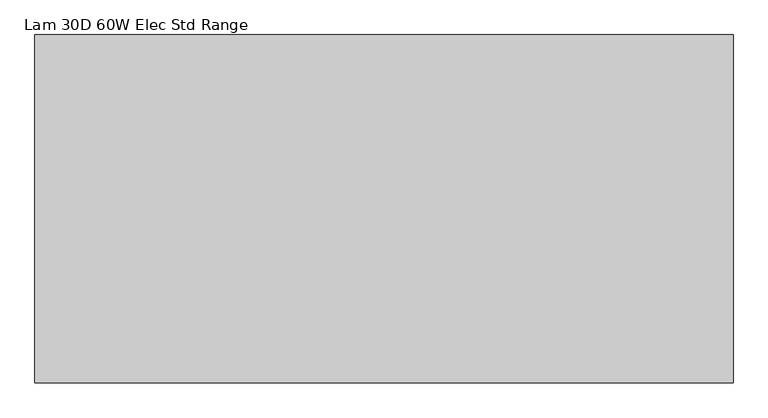
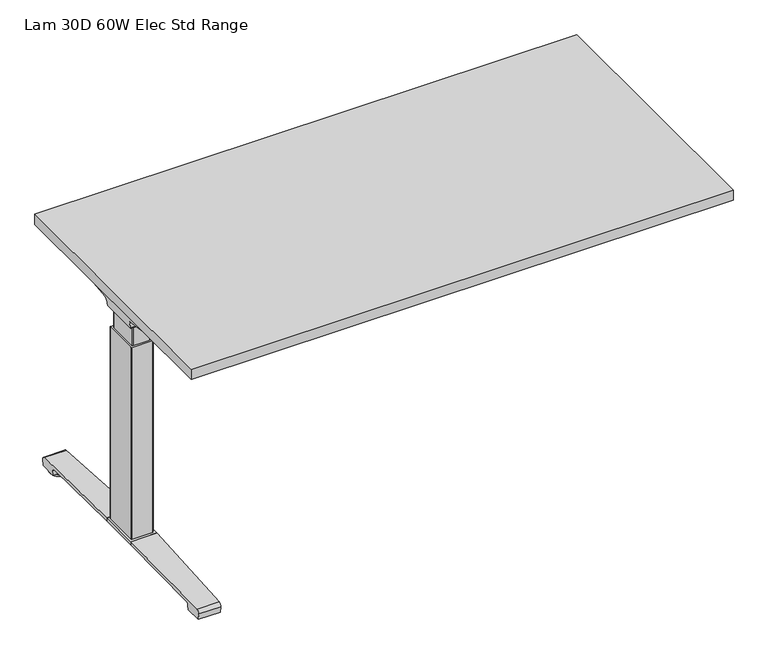
"""IFC4 building model written with IfcOpenShell, lengths in millimetres: furniture geometry, Lam 30D 60W Elec Std Range."""

from ifc_helpers import new_model, si_unit, point, frame, frame_2d, origin, place, context, project, spatial, polyline, circle_curve, ellipse_curve, trimmed, segment, composite_curve, outline, extrude, source, transform, mapped, element, save
from ifc_brep_helpers import plane_surface, cylinder_surface, revolved_surface, advanced_brep


def lam_30d_60w_elec_std_range_d3fcf947(model_context):
    return source(origin(), model_context, "Body", "SolidModel", [
        extrude(outline(polyline([(735.076, 366.776), (735.076, -366.776), (-735.076, -366.776), (-735.076, 366.776), (735.076, 366.776)])), frame((0.0, 0.0, 707.009), z_axis=(0.0, 0.0, 1.0), x_axis=(1.0, 0.0, 0.0)), (0.0, 0.0, 1.0), 29.591),
        advanced_brep(
        [(-718.7406297, 53.5092702, 658.5915733), (-553.0122138, 53.5092702, 658.5915733), (-567.3924181, 51.2808169, 655.9442785), (-716.2518591, 51.2808169, 655.9442785), (-718.9625278, 53.518256, 658.8276054), (-721.3619089, 54.1622827, 675.7443054), (-538.5773962, 54.1622827, 675.7443054), (-538.5773962, 53.8142965, 666.6037253), (-541.4075093, 53.7331058, 664.4710821), (-541.5501644, 53.6554397, 662.4310191), (-722.2185362, 59.6293181, 681.7839076), (-538.5773962, 59.6293181, 681.7839076), (-724.7393767, 174.2005225, 699.5569507), (-660.5243442, 174.2005225, 699.5569507), (-538.5773962, 93.3958, 687.0219877), (-724.8128152, 177.9765275, 700.0747243), (-666.2229255, 177.9765275, 700.0747243), (-725.4871296, 179.4867839, 704.8289399), (-723.7021288, 176.9098888, 707.009), (-664.6132011, 176.9098888, 707.009), (-725.4871296, -179.4867839, 704.8289399), (-724.8128152, -177.9765275, 700.0747243), (-666.2229255, -177.9765275, 700.0747243), (-664.6132011, -176.9098888, 707.009), (-723.7021288, -176.9098888, 707.009), (-724.7393767, -174.2005225, 699.5569507), (-660.5243442, -174.2005225, 699.5569507), (-722.2185362, -59.6293181, 681.7839076), (-538.5773962, -59.6293181, 681.7839076), (-538.5773962, -93.3958, 687.0219877), (-721.3619089, -54.1622827, 675.7443054), (-538.5773962, -54.1622827, 675.7443054), (-718.9625278, -53.518256, 658.8276054), (-718.7406297, -53.5092702, 658.5915733), (-553.0122138, -53.5092702, 658.5915733), (-541.5501644, -53.6554397, 662.4310191), (-541.4075093, -53.7331058, 664.4710821), (-538.5773962, -53.8142965, 666.6037253), (-716.2518591, -51.2808169, 655.9442785), (-567.3924181, -51.2808169, 655.9442785), (-538.5773962, -93.3958, 707.009), (-538.5773962, 93.3958, 707.009)],
        [
            (0, 1),
            (1, 2, ellipse_curve(frame((-577.2936465, 130.5470009, 750.1086722), z_axis=(0.0, 0.7650318638532662, -0.6439924279750482), x_axis=(0.0, 0.6439924279750482, 0.7650318638532662)), 123.7641411, 94.6835116)),
            (2, 3),
            (3, 0),
            (0, 4),
            (4, 5),
            (5, 6),
            (6, 7),
            (7, 8),
            (8, 9),
            (9, 1, ellipse_curve(frame((-577.2936465, 56.9933686, 750.1086722), z_axis=(0.0, 0.999276106683639, -0.03804290487316255), x_axis=(0.0, 0.03804290487316397, 0.999276106683639)), 94.752102, 94.6835116)),
            (5, 10, ellipse_curve(frame((-721.3119691, 60.6208409, 675.3922075), z_axis=(-0.990090671484964, 0.0, -0.14042956326377007), x_axis=(-0.1404295632637696, 0.0, 0.990090671484964)), 6.5328852, 6.4681487)),
            (10, 11),
            (11, 6, circle_curve(frame((-538.5773962, 60.6208409, 675.3922075), z_axis=(1.0, 0.0, 0.0), x_axis=(0.0, 1.0, 0.0)), 6.4681487)),
            (10, 12),
            (12, 13),
            (13, 14),
            (14, 11),
            (12, 15),
            (15, 16),
            (16, 13),
            (15, 17, ellipse_curve(frame((-725.2730772, 175.9994111, 703.3197755), z_axis=(0.990090671484964, 0.0, 0.14042956326377007), x_axis=(0.1404295632637696, 0.0, -0.990090671484964)), 3.8379455, 3.7999141)),
            (17, 18, ellipse_curve(frame((-726.722811, 175.9994111, 703.3197755), z_axis=(0.7737284588433301, 0.0, -0.6335173809580328), x_axis=(0.6335173809580328, 0.0, 0.77372845884333)), 4.9111727, 3.7999141)),
            (18, 19),
            (19, 16, ellipse_curve(frame((-663.239148, 175.9994111, 703.3197755), z_axis=(-0.5523637579768189, -0.8336031902972338, 0.0), x_axis=(0.8336031902972338, -0.5523637579768189, 0.0)), 6.8793689, 3.7999141)),
            (20, 21, ellipse_curve(frame((-725.2730772, -175.9994111, 703.3197755), z_axis=(0.990090671484964, 0.0, 0.14042956326377007), x_axis=(0.1404295632637696, 0.0, -0.990090671484964)), 3.8379455, 3.7999141)),
            (21, 22),
            (22, 23, ellipse_curve(frame((-663.239148, -175.9994111, 703.3197755), z_axis=(-0.5523637579750432, 0.8336031902984106, 0.0), x_axis=(0.8336031902984103, 0.5523637579750432, 0.0)), 6.8793689, 3.7999141)),
            (23, 24),
            (24, 20, ellipse_curve(frame((-726.722811, -175.9994111, 703.3197755), z_axis=(0.7737284588433301, 0.0, -0.6335173809580328), x_axis=(0.6335173809580328, 0.0, 0.77372845884333)), 4.9111727, 3.7999141)),
            (21, 25),
            (25, 26),
            (26, 22),
            (27, 28),
            (28, 29),
            (29, 26),
            (25, 27),
            (27, 30, ellipse_curve(frame((-721.3119691, -60.6208409, 675.3922075), z_axis=(-0.990090671484964, 0.0, -0.14042956326377007), x_axis=(-0.1404295632637696, 0.0, 0.990090671484964)), 6.5328852, 6.4681487)),
            (30, 31),
            (31, 28, circle_curve(frame((-538.5773962, -60.6208409, 675.3922075), z_axis=(1.0, 0.0, 0.0), x_axis=(0.0, 1.0, 0.0)), 6.4681487)),
            (30, 32),
            (32, 33),
            (33, 34),
            (34, 35, ellipse_curve(frame((-577.2936465, -56.9933686, 750.1086722), z_axis=(0.0, -0.9992761066836363, -0.03804290487323539), x_axis=(0.0, 0.03804290487323121, -0.9992761066836364)), 94.752102, 94.6835116)),
            (35, 36),
            (36, 37),
            (37, 31),
            (33, 38),
            (38, 39),
            (39, 34, ellipse_curve(frame((-577.2936465, -130.5470009, 750.1086722), z_axis=(0.0, -0.7650318638534733, -0.643992427974802), x_axis=(0.0, 0.643992427974802, -0.7650318638534732)), 123.7641411, 94.6835116)),
            (4, 32),
            (20, 17),
            (24, 18),
            (23, 40),
            (40, 41),
            (41, 19),
            (37, 7),
            (14, 41),
            (40, 29),
            (36, 8),
            (35, 9),
            (39, 2),
            (38, 3),
        ],
        [
            plane_surface(frame((-741.7773962, 51.2808169, 655.9442785), z_axis=(0.0, 0.7650318638532662, -0.6439924279750482), x_axis=(1.0, 0.0, 0.0))),
            plane_surface(frame((-741.7773962, 53.5092702, 658.5915733), z_axis=(0.0, 0.999276106683639, -0.03804290487316255), x_axis=(1.0, 0.0, 0.0))),
            revolved_surface(polyline([(-722.2293793154884, 67.08898959999999, 675.3922075), (-538.5773962, 67.08898959999999, 675.3922075)]), (-741.7773962, 60.6208409, 675.3922075), (-1.0, 0.0, 0.0)),
            plane_surface(frame((-741.7773962, 59.6293181, 681.7839076), z_axis=(0.0, 0.153293135871396, -0.9881807600306302), x_axis=(1.0, 0.0, 0.0))),
            plane_surface(frame((-741.7773962, 174.2005225, 699.5569507), z_axis=(0.0, 0.13585085469026903, -0.9907292996979162), x_axis=(1.0, 0.0, 0.0))),
            cylinder_surface(frame((-741.7773962, 175.9994111, 703.3197755), z_axis=(1.0, 0.0, 0.0), x_axis=(0.0, 1.0, 0.0)), 3.7999141),
            cylinder_surface(frame((-741.7773962, -175.9994111, 703.3197755), z_axis=(1.0, 0.0, 0.0), x_axis=(0.0, 1.0, 0.0)), 3.7999141),
            plane_surface(frame((-741.7773962, -177.9765275, 700.0747243), z_axis=(0.0, -0.13585085468791205, -0.9907292996982394), x_axis=(1.0, 0.0, 0.0))),
            plane_surface(frame((-741.7773962, -174.2005225, 699.5569507), z_axis=(0.0, -0.1532931358714066, -0.9881807600306285), x_axis=(1.0, 0.0, 0.0))),
            revolved_surface(polyline([(-722.2293793154884, -54.1526922, 675.3922075), (-538.5773962, -54.1526922, 675.3922075)]), (-741.7773962, -60.6208409, 675.3922075), (-1.0, 0.0, 0.0)),
            plane_surface(frame((-741.7773962, -54.1622827, 675.7443054), z_axis=(0.0, -0.9992761066836363, -0.03804290487323539), x_axis=(1.0, 0.0, 0.0))),
            plane_surface(frame((-741.7773962, -53.5092702, 658.5915733), z_axis=(0.0, -0.7650318638534733, -0.643992427974802), x_axis=(1.0, 0.0, 0.0))),
            plane_surface(frame((-718.9625278, 190.5, 658.8276054), z_axis=(-0.990090671484964, 0.0, -0.14042956326377007), x_axis=(0.0, -1.0, 0.0))),
            plane_surface(frame((-725.4871296, 190.5, 704.8289399), z_axis=(-0.7737284588433301, 0.0, 0.6335173809580328), x_axis=(0.0, -1.0, 0.0))),
            plane_surface(frame((-723.7021288, 190.5, 707.009), z_axis=(0.0, 0.0, 1.0), x_axis=(0.0, -1.0, 0.0))),
            plane_surface(frame((-538.5773962, 190.5, 707.009), z_axis=(1.0, 0.0, 0.0), x_axis=(0.0, -1.0, 0.0))),
            plane_surface(frame((-538.5773962, 190.5, 666.6037253), z_axis=(0.6018150231516033, 0.0, -0.7986355100476283), x_axis=(0.0, -1.0, 0.0))),
            plane_surface(frame((-541.4075093, 190.5, 664.4710821), z_axis=(0.9975640502600355, 0.0, -0.06975647374110414), x_axis=(0.0, -1.0, 0.0))),
            cylinder_surface(frame((-577.2936465, 190.5, 750.1086722), z_axis=(0.0, 1.0, 0.0), x_axis=(1.0, 0.0, 0.0)), 94.6835116),
            plane_surface(frame((-567.3924181, 190.5, 655.9442785), z_axis=(0.0, 0.0, -1.0), x_axis=(0.0, -1.0, 0.0))),
            plane_surface(frame((-716.2518591, 190.5, 655.9442785), z_axis=(-0.728584606419653, 0.0, -0.6849558170337118), x_axis=(0.0, -1.0, 0.0))),
            plane_surface(frame((-685.1228017, 190.5, 707.009), z_axis=(0.5523637579768189, 0.8336031902972338, 0.0), x_axis=(0.0, 0.0, -1.0))),
            plane_surface(frame((-538.5773962, -93.3958, 707.009), z_axis=(0.5523637579750432, -0.8336031902984106, 0.0), x_axis=(0.0, 0.0, -1.0))),
        ],
        [
            (0, [[1, 2, 3, 4]]),
            (1, [[-1, 5, 6, 7, 8, 9, 10, 11]]),
            (2, [[-7, 12, 13, 14]]),
            (3, [[-13, 15, 16, 17, 18]]),
            (4, [[19, 20, 21, -16]]),
            (5, [[22, 23, 24, 25, -20]]),
            (6, [[26, 27, 28, 29, 30]]),
            (7, [[31, 32, 33, -27]]),
            (8, [[34, 35, 36, -32, 37]]),
            (9, [[-34, 38, 39, 40]]),
            (10, [[-39, 41, 42, 43, 44, 45, 46, 47]]),
            (11, [[-43, 48, 49, 50]]),
            (12, [[51, -41, -38, -37, -31, -26, 52, -22, -19, -15, -12, -6]]),
            (13, [[-52, -30, 53, -23]]),
            (14, [[-53, -29, 54, 55, 56, -24]]),
            (15, [[57, -8, -14, -18, 58, -55, 59, -35, -40, -47]]),
            (16, [[-57, -46, 60, -9]]),
            (17, [[-60, -45, 61, -10]]),
            (18, [[-61, -44, -50, 62, -2, -11]]),
            (19, [[-62, -49, 63, -3]]),
            (20, [[-51, -5, -4, -63, -48, -42]]),
            (21, [[-56, -58, -17, -21, -25]]),
            (22, [[-54, -28, -33, -36, -59]]),
        ],
    ),
        advanced_brep(
        [(553.0122138, 53.5092702, 658.5915733), (718.7406297, 53.5092702, 658.5915733), (716.2518591, 51.2808169, 655.9442785), (567.3924181, 51.2808169, 655.9442785), (541.5501644, 53.6554397, 662.4310191), (541.4075093, 53.7331058, 664.4710821), (538.7619573, 53.8090018, 666.4646485), (538.7619573, 54.1622827, 675.7443054), (721.3619089, 54.1622827, 675.7443054), (718.9625278, 53.518256, 658.8276054), (538.7619573, 59.6293181, 681.7839076), (722.2185362, 59.6293181, 681.7839076), (538.7619573, 93.3889953, 687.0209321), (660.5570453, 174.2005225, 699.5569507), (724.7393767, 174.2005225, 699.5569507), (724.8128152, 177.9765275, 700.0747243), (666.2480509, 177.9765275, 700.0747243), (725.4871296, 179.4867839, 704.8289399), (664.6404665, 176.9098888, 707.009), (723.7021288, 176.9098888, 707.009), (724.8128152, -177.9765275, 700.0747243), (725.4871296, -179.4867839, 704.8289399), (723.7021288, -176.9098888, 707.009), (664.6404665, -176.9098888, 707.009), (666.2480509, -177.9765275, 700.0747243), (724.7393767, -174.2005225, 699.5569507), (660.5570453, -174.2005225, 699.5569507), (538.7619573, -59.6293181, 681.7839076), (722.2185362, -59.6293181, 681.7839076), (538.7619573, -93.3889953, 687.0209321), (538.7619573, -54.1622827, 675.7443054), (721.3619089, -54.1622827, 675.7443054), (538.7619573, -53.8090018, 666.4646485), (541.4075093, -53.7331058, 664.4710821), (541.5501644, -53.6554397, 662.4310191), (553.0122138, -53.5092702, 658.5915733), (718.7406297, -53.5092702, 658.5915733), (718.9625278, -53.518256, 658.8276054), (567.3924181, -51.2808169, 655.9442785), (716.2518591, -51.2808169, 655.9442785), (538.7619573, 93.3889953, 707.009), (538.7619573, -93.3889953, 707.009)],
        [
            (0, 1),
            (1, 2),
            (2, 3),
            (3, 0, ellipse_curve(frame((577.2936465, 130.5470009, 750.1086722), z_axis=(0.0, 0.7650318638532565, -0.6439924279750596), x_axis=(0.0, -0.6439924279750596, -0.7650318638532564)), 123.7641411, 94.6835116)),
            (0, 4, ellipse_curve(frame((577.2936465, 56.9933686, 750.1086722), z_axis=(0.0, 0.9992761066836392, -0.03804290487315862), x_axis=(0.0, -0.03804290487315623, -0.9992761066836393)), 94.752102, 94.6835116)),
            (4, 5),
            (5, 6),
            (6, 7),
            (7, 8),
            (8, 9),
            (9, 1),
            (7, 10, circle_curve(frame((538.7619573, 60.6208409, 675.3922075), z_axis=(-1.0, 0.0, 0.0), x_axis=(0.0, 1.0, 0.0)), 6.4681487)),
            (10, 11),
            (11, 8, ellipse_curve(frame((721.3119691, 60.6208409, 675.3922075), z_axis=(0.9900906714849659, 0.0, -0.1404295632637567), x_axis=(-0.1404295632637562, 0.0, -0.9900906714849659)), 6.5328852, 6.4681487)),
            (10, 12),
            (12, 13),
            (13, 14),
            (14, 11),
            (15, 14),
            (13, 16),
            (16, 15),
            (17, 15, ellipse_curve(frame((725.2730772, 175.9994111, 703.3197755), z_axis=(-0.9900906714849659, 0.0, 0.1404295632637567), x_axis=(0.1404295632637562, 0.0, 0.9900906714849659)), 3.8379455, 3.7999141)),
            (16, 18, ellipse_curve(frame((663.26824, 175.9994111, 703.3197755), z_axis=(0.5528743936295483, -0.8332646067539168, 0.0), x_axis=(0.8332646067539167, 0.5528743936295484, 0.0)), 6.8730151, 3.7999141)),
            (18, 19),
            (19, 17, ellipse_curve(frame((726.722811, 175.9994111, 703.3197755), z_axis=(-0.7737284588399557, 0.0, -0.633517380962154), x_axis=(0.6335173809621538, 0.0, -0.7737284588399556)), 4.9111727, 3.7999141)),
            (20, 21, ellipse_curve(frame((725.2730772, -175.9994111, 703.3197755), z_axis=(-0.9900906714849659, 0.0, 0.1404295632637567), x_axis=(0.1404295632637562, 0.0, 0.9900906714849659)), 3.8379455, 3.7999141)),
            (21, 22, ellipse_curve(frame((726.722811, -175.9994111, 703.3197755), z_axis=(-0.7737284588399557, 0.0, -0.633517380962154), x_axis=(0.6335173809621538, 0.0, -0.7737284588399556)), 4.9111727, 3.7999141)),
            (22, 23),
            (23, 24, ellipse_curve(frame((663.26824, -175.9994111, 703.3197755), z_axis=(0.5528743936295337, 0.8332646067539264, 0.0), x_axis=(0.8332646067539262, -0.5528743936295338, 0.0)), 6.8730151, 3.7999141)),
            (24, 20),
            (25, 20),
            (24, 26),
            (26, 25),
            (27, 28),
            (28, 25),
            (26, 29),
            (29, 27),
            (27, 30, circle_curve(frame((538.7619573, -60.6208409, 675.3922075), z_axis=(-1.0, 0.0, 0.0), x_axis=(0.0, 1.0, 0.0)), 6.4681487)),
            (30, 31),
            (31, 28, ellipse_curve(frame((721.3119691, -60.6208409, 675.3922075), z_axis=(0.9900906714849659, 0.0, -0.1404295632637567), x_axis=(-0.1404295632637562, 0.0, -0.9900906714849659)), 6.5328852, 6.4681487)),
            (30, 32),
            (32, 33),
            (33, 34),
            (34, 35, ellipse_curve(frame((577.2936465, -56.9933686, 750.1086722), z_axis=(0.0, -0.9992761066836363, -0.03804290487323539), x_axis=(0.0, -0.03804290487323121, 0.9992761066836364)), 94.752102, 94.6835116)),
            (35, 36),
            (36, 37),
            (37, 31),
            (35, 38, ellipse_curve(frame((577.2936465, -130.5470009, 750.1086722), z_axis=(0.0, -0.7650318638534733, -0.643992427974802), x_axis=(0.0, -0.643992427974802, 0.7650318638534732)), 123.7641411, 94.6835116)),
            (38, 39),
            (39, 36),
            (37, 9),
            (17, 21),
            (19, 22),
            (18, 40),
            (40, 41),
            (41, 23),
            (6, 32),
            (29, 41),
            (40, 12),
            (5, 33),
            (4, 34),
            (3, 38),
            (2, 39),
        ],
        [
            plane_surface(frame((538.7619573, 51.2808169, 655.9442785), z_axis=(0.0, 0.7650318638532565, -0.6439924279750596), x_axis=(1.0, 0.0, 0.0))),
            plane_surface(frame((538.7619573, 53.5092702, 658.5915733), z_axis=(0.0, 0.9992761066836392, -0.03804290487315862), x_axis=(1.0, 0.0, 0.0))),
            revolved_surface(polyline([(538.7619573, 67.08898959999999, 675.3922075), (722.2293793154884, 67.08898959999999, 675.3922075)]), (538.7619573, 60.6208409, 675.3922075), (-1.0, 0.0, 0.0)),
            plane_surface(frame((538.7619573, 59.6293181, 681.7839076), z_axis=(0.0, 0.15329313587140309, -0.988180760030629), x_axis=(1.0, 0.0, 0.0))),
            plane_surface(frame((538.7619573, 174.2005225, 699.5569507), z_axis=(0.0, 0.1358508546900816, -0.9907292996979419), x_axis=(1.0, 0.0, 0.0))),
            cylinder_surface(frame((538.7619573, 175.9994111, 703.3197755), z_axis=(1.0, 0.0, 0.0), x_axis=(0.0, 1.0, 0.0)), 3.7999141),
            cylinder_surface(frame((538.7619573, -175.9994111, 703.3197755), z_axis=(1.0, 0.0, 0.0), x_axis=(0.0, 1.0, 0.0)), 3.7999141),
            plane_surface(frame((538.7619573, -177.9765275, 700.0747243), z_axis=(0.0, -0.1358508546877776, -0.9907292996982578), x_axis=(1.0, 0.0, 0.0))),
            plane_surface(frame((538.7619573, -174.2005225, 699.5569507), z_axis=(0.0, -0.15329313587141113, -0.9881807600306277), x_axis=(1.0, 0.0, 0.0))),
            revolved_surface(polyline([(538.7619573, -54.1526922, 675.3922075), (722.2293793154884, -54.1526922, 675.3922075)]), (538.7619573, -60.6208409, 675.3922075), (-1.0, 0.0, 0.0)),
            plane_surface(frame((538.7619573, -54.1622827, 675.7443054), z_axis=(0.0, -0.9992761066836363, -0.03804290487323539), x_axis=(1.0, 0.0, 0.0))),
            plane_surface(frame((538.7619573, -53.5092702, 658.5915733), z_axis=(0.0, -0.7650318638534733, -0.643992427974802), x_axis=(1.0, 0.0, 0.0))),
            plane_surface(frame((718.9625278, -190.5, 658.8276054), z_axis=(0.9900906714849659, 0.0, -0.1404295632637567), x_axis=(0.0, 1.0, 0.0))),
            plane_surface(frame((725.4871296, -190.5, 704.8289399), z_axis=(0.7737284588399557, 0.0, 0.633517380962154), x_axis=(0.0, 1.0, 0.0))),
            plane_surface(frame((723.7021288, -190.5, 707.009), z_axis=(0.0, 0.0, 1.0), x_axis=(0.0, 1.0, 0.0))),
            plane_surface(frame((538.7619573, -190.5, 707.009), z_axis=(-1.0, 0.0, 0.0), x_axis=(0.0, 1.0, 0.0))),
            plane_surface(frame((538.7619573, -190.5, 666.4646485), z_axis=(-0.6018150231540825, 0.0, -0.7986355100457599), x_axis=(0.0, 1.0, 0.0))),
            plane_surface(frame((541.4075093, -190.5, 664.4710821), z_axis=(-0.9975640502598242, 0.0, -0.06975647374412697), x_axis=(0.0, 1.0, 0.0))),
            cylinder_surface(frame((577.2936465, -190.5, 750.1086722), z_axis=(0.0, -1.0, 0.0), x_axis=(-1.0, 0.0, 0.0)), 94.6835116),
            plane_surface(frame((567.3924181, -190.5, 655.9442785), z_axis=(0.0, 0.0, -1.0), x_axis=(0.0, 1.0, 0.0))),
            plane_surface(frame((716.2518591, -190.5, 655.9442785), z_axis=(0.7285846064222866, 0.0, -0.6849558170309101), x_axis=(0.0, 1.0, 0.0))),
            plane_surface(frame((538.7619573, 93.3889953, 707.009), z_axis=(-0.5528743936295483, 0.8332646067539168, 0.0), x_axis=(0.0, 0.0, -1.0))),
            plane_surface(frame((685.1228017, -190.5, 707.009), z_axis=(-0.5528743936295337, -0.8332646067539264, 0.0), x_axis=(0.0, 0.0, -1.0))),
        ],
        [
            (0, [[1, 2, 3, 4]]),
            (1, [[-1, 5, 6, 7, 8, 9, 10, 11]]),
            (2, [[-9, 12, 13, 14]]),
            (3, [[-13, 15, 16, 17, 18]]),
            (4, [[19, -17, 20, 21]]),
            (5, [[22, -21, 23, 24, 25]]),
            (6, [[26, 27, 28, 29, 30]]),
            (7, [[31, -30, 32, 33]]),
            (8, [[34, 35, -33, 36, 37]]),
            (9, [[-34, 38, 39, 40]]),
            (10, [[-39, 41, 42, 43, 44, 45, 46, 47]]),
            (11, [[-45, 48, 49, 50]]),
            (12, [[51, -10, -14, -18, -19, -22, 52, -26, -31, -35, -40, -47]]),
            (13, [[-52, -25, 53, -27]]),
            (14, [[-53, -24, 54, 55, 56, -28]]),
            (15, [[57, -41, -38, -37, 58, -55, 59, -15, -12, -8]]),
            (16, [[-57, -7, 60, -42]]),
            (17, [[-60, -6, 61, -43]]),
            (18, [[-61, -5, -4, 62, -48, -44]]),
            (19, [[-62, -3, 63, -49]]),
            (20, [[-51, -46, -50, -63, -2, -11]]),
            (21, [[-54, -23, -20, -16, -59]]),
            (22, [[-56, -58, -36, -32, -29]]),
        ],
    ),
        advanced_brep(
        [(-538.5773962, 78.6831697, 701.7794894), (-538.5773962, 80.4475242, 704.0075511), (-538.5773962, 91.4281225, 704.0075511), (-538.5773962, 92.1582919, 701.4093085), (-538.5773962, 70.7319108, 671.8462148), (-538.5773962, 53.3310914, 663.2452863), (-538.5773962, -53.4567844, 663.2452863), (-538.5773962, -71.0845783, 672.2997482), (-538.5773962, -92.4192862, 702.0706054), (-538.5773962, -90.7807234, 704.1266572), (-538.5773962, -80.5655902, 704.1266572), (-538.5773962, -78.6946152, 701.7794894), (-538.5773962, -79.4358363, 701.2423822), (-538.5773962, -81.0060637, 703.2122572), (-538.5773962, -90.6846762, 703.2122572), (-538.5773962, -91.4905649, 702.3444366), (-538.5773962, -70.3413256, 672.8323858), (-538.5773962, -53.4567844, 664.1598536), (-538.5773962, 53.3310914, 664.1596863), (-538.5773962, 69.99844, 672.3923713), (-538.5773962, 91.3521627, 701.8552144), (-538.5773962, 91.0948942, 703.0931511), (-538.5773962, 80.889809, 703.0931511), (-538.5773962, 79.4242719, 701.2424419), (538.7619573, 78.6831697, 701.7794894), (538.7619573, 79.4242719, 701.2424419), (538.7619573, 80.889809, 703.0931511), (538.7619573, 91.0948942, 703.0931511), (538.7619573, 91.3521627, 701.8552144), (538.7619573, 69.99844, 672.3923713), (538.7619573, 53.3310914, 664.1596863), (538.7619573, -53.4567845, 664.1596863), (538.7619573, -70.3413256, 672.8323858), (538.7619573, -91.4905649, 702.3444366), (538.7619573, -90.6846762, 703.2122572), (538.7619573, -81.0060637, 703.2122572), (538.7619573, -79.4358363, 701.2423822), (538.7619573, -78.6946152, 701.7794894), (538.7619573, -80.5655902, 704.1266572), (538.7619573, -90.7807234, 704.1266572), (538.7619573, -92.4192862, 702.0706054), (538.7619573, -71.0845783, 672.2997482), (538.7619573, -53.4567844, 663.2454536), (538.7619573, 53.3310914, 663.2452863), (538.7619573, 70.7319108, 671.8462148), (538.7619573, 92.1582919, 701.4093085), (538.7619573, 91.4281225, 704.0075511), (538.7619573, 80.4475242, 704.0075511)],
        [
            (0, 1),
            (1, 2),
            (2, 3, circle_curve(frame((-538.5773962, 90.2105576, 702.2636667), z_axis=(-1.0, 0.0, 0.0), x_axis=(0.0, 1.0, 0.0)), 2.1268749)),
            (3, 4),
            (4, 5, circle_curve(frame((-538.5773962, 53.3310914, 685.1478336), z_axis=(-1.0, 0.0, 0.0), x_axis=(0.0, 1.0, 0.0)), 21.9025472)),
            (5, 6),
            (6, 7, circle_curve(frame((-538.5773962, -53.4567844, 684.932365), z_axis=(-1.0, 0.0, 0.0), x_axis=(0.0, 1.0, 0.0)), 21.6869114)),
            (7, 8),
            (8, 9, circle_curve(frame((-538.5773962, -90.4189365, 702.1573833), z_axis=(-1.0, 0.0, 0.0), x_axis=(0.0, 1.0, 0.0)), 2.0022311)),
            (9, 10),
            (10, 11),
            (11, 12),
            (12, 13),
            (13, 14),
            (14, 15, circle_curve(frame((-538.5773962, -90.4189365, 702.1573833), z_axis=(1.0, 0.0, 0.0), x_axis=(0.0, 1.0, 0.0)), 1.0878311)),
            (15, 16),
            (16, 17, circle_curve(frame((-538.5773962, -53.4567844, 684.932365), z_axis=(1.0, 0.0, 0.0), x_axis=(0.0, 1.0, 0.0)), 20.7725114)),
            (17, 18),
            (18, 19, circle_curve(frame((-538.5773962, 53.3310914, 685.1478336), z_axis=(1.0, 0.0, 0.0), x_axis=(0.0, 1.0, 0.0)), 20.9881473)),
            (19, 20),
            (20, 21, circle_curve(frame((-538.5773962, 90.2105576, 702.2636667), z_axis=(1.0, 0.0, 0.0), x_axis=(0.0, 1.0, 0.0)), 1.2124749)),
            (21, 22),
            (22, 23),
            (23, 0),
            (24, 25),
            (25, 26),
            (26, 27),
            (27, 28, circle_curve(frame((538.7619573, 90.2105576, 702.2636667), z_axis=(-1.0, 0.0, 0.0), x_axis=(0.0, 1.0, 0.0)), 1.2124749)),
            (28, 29),
            (29, 30, circle_curve(frame((538.7619573, 53.3310914, 685.1478336), z_axis=(-1.0, 0.0, 0.0), x_axis=(0.0, 1.0, 0.0)), 20.9881473)),
            (30, 31),
            (31, 32, circle_curve(frame((538.7619573, -53.4567844, 684.932365), z_axis=(-1.0, 0.0, 0.0), x_axis=(0.0, 1.0, 0.0)), 20.7725114)),
            (32, 33),
            (33, 34, circle_curve(frame((538.7619573, -90.4189365, 702.1573833), z_axis=(-1.0, 0.0, 0.0), x_axis=(0.0, 1.0, 0.0)), 1.0878311)),
            (34, 35),
            (35, 36),
            (36, 37),
            (37, 38),
            (38, 39),
            (39, 40, circle_curve(frame((538.7619573, -90.4189365, 702.1573833), z_axis=(1.0, 0.0, 0.0), x_axis=(0.0, 1.0, 0.0)), 2.0022311)),
            (40, 41),
            (41, 42, circle_curve(frame((538.7619573, -53.4567844, 684.932365), z_axis=(1.0, 0.0, 0.0), x_axis=(0.0, 1.0, 0.0)), 21.6869114)),
            (42, 43),
            (43, 44, circle_curve(frame((538.7619573, 53.3310914, 685.1478336), z_axis=(1.0, 0.0, 0.0), x_axis=(0.0, 1.0, 0.0)), 21.9025472)),
            (44, 45),
            (45, 46, circle_curve(frame((538.7619573, 90.2105576, 702.2636667), z_axis=(1.0, 0.0, 0.0), x_axis=(0.0, 1.0, 0.0)), 2.1268749)),
            (46, 47),
            (47, 24),
            (0, 24),
            (47, 1),
            (46, 2),
            (45, 3),
            (44, 4),
            (43, 5),
            (42, 6),
            (41, 7),
            (40, 8),
            (39, 9),
            (38, 10),
            (37, 11),
            (36, 12),
            (35, 13),
            (34, 14),
            (33, 15),
            (32, 16),
            (31, 17),
            (30, 18),
            (29, 19),
            (28, 20),
            (27, 21),
            (26, 22),
            (25, 23),
        ],
        [
            plane_surface(frame((-538.5773962, 0.0, 707.009), z_axis=(-1.0, 0.0, 0.0), x_axis=(0.0, 0.0, 1.0))),
            plane_surface(frame((538.7619573, 0.0, 707.009), z_axis=(1.0, 0.0, 0.0), x_axis=(0.0, 0.0, 1.0))),
            plane_surface(frame((-538.5773962, 78.6831697, 701.7794894), z_axis=(0.0, -0.7839649337165058, 0.6208051084703434), x_axis=(1.0, 0.0, 0.0))),
            plane_surface(frame((-538.5773962, 80.4475242, 704.0075511), z_axis=(0.0, 0.0, 1.0), x_axis=(1.0, 0.0, 0.0))),
            cylinder_surface(frame((-538.5773962, 90.2105576, 702.2636667), z_axis=(-1.0, 0.0, 0.0), x_axis=(0.0, 1.0, 0.0)), 2.1268749),
            plane_surface(frame((-538.5773962, 92.1582919, 701.4093085), z_axis=(0.0, 0.8096997445281038, -0.586844377762217), x_axis=(1.0, 0.0, 0.0))),
            cylinder_surface(frame((-538.5773962, 53.3310914, 685.1478336), z_axis=(-1.0, 0.0, 0.0), x_axis=(0.0, 1.0, 0.0)), 21.9025472),
            plane_surface(frame((-538.5773962, 53.3310914, 663.2452863), z_axis=(0.0, 0.0, -1.0), x_axis=(1.0, 0.0, 0.0))),
            cylinder_surface(frame((-538.5773962, -53.4567844, 684.932365), z_axis=(-1.0, 0.0, 0.0), x_axis=(0.0, 1.0, 0.0)), 21.6869114),
            plane_surface(frame((-538.5773962, -71.0845783, 672.2997482), z_axis=(0.0, -0.8128309997561537, -0.5824995844079305), x_axis=(1.0, 0.0, 0.0))),
            cylinder_surface(frame((-538.5773962, -90.4189365, 702.1573833), z_axis=(-1.0, 0.0, 0.0), x_axis=(0.0, 1.0, 0.0)), 2.0022311),
            plane_surface(frame((-538.5773962, -90.7807234, 704.1266572), z_axis=(0.0, 0.0, 1.0), x_axis=(1.0, 0.0, 0.0))),
            plane_surface(frame((-538.5773962, -80.5655902, 704.1266572), z_axis=(0.0, 0.7819660587237972, 0.6233210112004657), x_axis=(1.0, 0.0, 0.0))),
            plane_surface(frame((-538.5773962, -78.6946152, 701.7794894), z_axis=(0.0, 0.5867684336468096, -0.8097547809526473), x_axis=(1.0, 0.0, 0.0))),
            plane_surface(frame((-538.5773962, -79.4358363, 701.2423822), z_axis=(0.0, -0.7819660587239206, -0.6233210112003109), x_axis=(1.0, 0.0, 0.0))),
            plane_surface(frame((-538.5773962, -81.0060637, 703.2122572), z_axis=(0.0, 0.0, -1.0), x_axis=(1.0, 0.0, 0.0))),
            revolved_surface(polyline([(538.7619573000001, -89.3311054, 702.1573833), (-538.5773962, -89.3311054, 702.1573833)]), (-538.5773962, -90.4189365, 702.1573833), (1.0, 0.0, 0.0)),
            plane_surface(frame((-538.5773962, -91.4905649, 702.3444366), z_axis=(0.0, 0.8128309996716102, 0.582499584525904), x_axis=(1.0, 0.0, 0.0))),
            revolved_surface(polyline([(538.7619573000001, -32.684273, 684.932365), (-538.5773962, -32.684273, 684.932365)]), (-538.5773962, -53.4567844, 684.932365), (1.0, 0.0, 0.0)),
            plane_surface(frame((-538.5773962, -53.4567845, 664.1596863), z_axis=(0.0, 0.0, 1.0), x_axis=(1.0, 0.0, 0.0))),
            revolved_surface(polyline([(538.7619573000001, 74.3192387, 685.1478336), (-538.5773962, 74.3192387, 685.1478336)]), (-538.5773962, 53.3310914, 685.1478336), (1.0, 0.0, 0.0)),
            plane_surface(frame((-538.5773962, 69.99844, 672.3923713), z_axis=(0.0, -0.8096997449536107, 0.5868443771751228), x_axis=(1.0, 0.0, 0.0))),
            revolved_surface(polyline([(538.7619573000001, 91.4230325, 702.2636667), (-538.5773962, 91.4230325, 702.2636667)]), (-538.5773962, 90.2105576, 702.2636667), (1.0, 0.0, 0.0)),
            plane_surface(frame((-538.5773962, 91.0948942, 703.0931511), z_axis=(0.0, 0.0, -1.0), x_axis=(1.0, 0.0, 0.0))),
            plane_surface(frame((-538.5773962, 80.889809, 703.0931511), z_axis=(0.0, 0.7839649337164979, -0.6208051084703533), x_axis=(1.0, 0.0, 0.0))),
            plane_surface(frame((-538.5773962, 79.4242719, 701.2424419), z_axis=(0.0, -0.5867873637752554, -0.8097410633737715), x_axis=(1.0, 0.0, 0.0))),
        ],
        [
            (0, [[1, 2, 3, 4, 5, 6, 7, 8, 9, 10, 11, 12, 13, 14, 15, 16, 17, 18, 19, 20, 21, 22, 23, 24]]),
            (1, [[25, 26, 27, 28, 29, 30, 31, 32, 33, 34, 35, 36, 37, 38, 39, 40, 41, 42, 43, 44, 45, 46, 47, 48]]),
            (2, [[-1, 49, -48, 50]]),
            (3, [[-2, -50, -47, 51]]),
            (4, [[-3, -51, -46, 52]]),
            (5, [[-4, -52, -45, 53]]),
            (6, [[-5, -53, -44, 54]]),
            (7, [[-6, -54, -43, 55]]),
            (8, [[-7, -55, -42, 56]]),
            (9, [[-8, -56, -41, 57]]),
            (10, [[-9, -57, -40, 58]]),
            (11, [[-10, -58, -39, 59]]),
            (12, [[-11, -59, -38, 60]]),
            (13, [[-12, -60, -37, 61]]),
            (14, [[-13, -61, -36, 62]]),
            (15, [[-14, -62, -35, 63]]),
            (16, [[-15, -63, -34, 64]]),
            (17, [[-16, -64, -33, 65]]),
            (18, [[-17, -65, -32, 66]]),
            (19, [[-18, -66, -31, 67]]),
            (20, [[-19, -67, -30, 68]]),
            (21, [[-20, -68, -29, 69]]),
            (22, [[-21, -69, -28, 70]]),
            (23, [[-22, -70, -27, 71]]),
            (24, [[-23, -71, -26, 72]]),
            (25, [[-24, -72, -25, -49]]),
        ],
    ),
        extrude(outline(composite_curve([segment(polyline([(-85.2357617, 705.3739712), (-93.5160102, 705.3739712), (-94.0273408, 704.3565876), (-71.001647, 672.4872047)]), True, "CONTINUOUS"), segment(trimmed(circle_curve(frame_2d((-52.8576186, 688.0741393)), 23.9198306), [point((-71.001647, 672.4872047))], [point((-52.8576186, 664.1543087))], True, "CARTESIAN"), True, "CONTINUOUS"), segment(polyline([(-52.8576186, 664.1543087), (160.8304611, 664.1543087)]), True, "CONTINUOUS"), segment(trimmed(circle_curve(frame_2d((161.6245677, 686.2522042)), 22.1121593), [point((160.8304611, 664.1543087))], [point((179.5297793, 673.2771903))], True, "CARTESIAN"), True, "CONTINUOUS"), segment(polyline([(179.5297793, 673.2771903), (201.4820672, 703.5708273), (202.2225039, 703.0342821), (180.2702102, 672.740637)]), True, "CONTINUOUS"), segment(trimmed(circle_curve(frame_2d((161.6245677, 686.2522042)), 23.0265593), [point((180.2702102, 672.740637))], [point((160.814203, 663.2399087))], False, "CARTESIAN"), True, "CONTINUOUS"), segment(polyline([(160.814203, 663.2399087), (-52.8576186, 663.2399087)]), True, "CONTINUOUS"), segment(trimmed(circle_curve(frame_2d((-52.8576186, 688.0741393)), 24.8342306), [point((-52.8576186, 663.2399087))], [point((-71.7205231, 671.9208163))], False, "CARTESIAN"), True, "CONTINUOUS"), segment(polyline([(-71.7205231, 671.9208163), (-95.0936869, 704.2711252), (-94.0798316, 706.2883712), (-84.9968781, 706.2883712), (-85.2357617, 705.3739712)]), True, "CONTINUOUS")], self_intersect=False)), frame((-538.5773962, 0.0, 0.0), z_axis=(1.0, 0.0, 0.0), x_axis=(0.0, 1.0, 0.0)), (0.0, 0.0, 1.0), 1077.3393535),
        advanced_brep(
        [(662.3283088, 44.7482497, 655.9442785), (659.5624028, 42.3950111, 655.9442785), (659.5624028, -42.3786142, 655.9442785), (662.6159671, -44.728013, 655.9442785), (705.9299922, -44.7482497, 655.9442785), (708.9895972, -42.3785064, 655.9442785), (708.9895972, 42.3950956, 655.9442785), (706.2236912, 44.7482497, 655.9442785), (662.3283088, 44.7482497, 599.0990785), (706.2236912, 44.7482497, 599.0990785), (708.9895972, 42.3950956, 599.0990785), (708.9895972, -42.3785064, 599.0990785), (705.9360098, -44.7280077, 599.0990785), (662.6220078, -44.7482497, 599.0990785), (659.5624028, -42.3786142, 599.0990785), (659.5624028, 42.3950111, 599.0990785)],
        [
            (0, 1, circle_curve(frame((662.6300788, 41.5914719, 655.9442785), z_axis=(0.0, 0.0, 1.0), x_axis=(1.0, 0.0, 0.0)), 3.1711688)),
            (1, 2),
            (2, 3, circle_curve(frame((662.6159671, -41.568922, 655.9442785), z_axis=(0.0, 0.0, 1.0), x_axis=(1.0, 0.0, 0.0)), 3.1590911)),
            (3, 4),
            (4, 5, circle_curve(frame((705.9360098, -41.568922, 655.9442785), z_axis=(0.0, 0.0, 1.0), x_axis=(1.0, 0.0, 0.0)), 3.1590858)),
            (5, 6),
            (6, 7, circle_curve(frame((705.9219439, 41.5914698, 655.9442785), z_axis=(0.0, 0.0, 1.0), x_axis=(1.0, 0.0, 0.0)), 3.1711687)),
            (7, 0),
            (8, 9),
            (9, 10, circle_curve(frame((705.9219439, 41.5914698, 599.0990785), z_axis=(0.0, 0.0, -1.0), x_axis=(1.0, 0.0, 0.0)), 3.1711687)),
            (10, 11),
            (11, 12, circle_curve(frame((705.9360098, -41.568922, 599.0990785), z_axis=(0.0, 0.0, -1.0), x_axis=(1.0, 0.0, 0.0)), 3.1590858)),
            (12, 13),
            (13, 14, circle_curve(frame((662.6159671, -41.568922, 599.0990785), z_axis=(0.0, 0.0, -1.0), x_axis=(1.0, 0.0, 0.0)), 3.1590911)),
            (14, 15),
            (15, 8, circle_curve(frame((662.6300788, 41.5914719, 599.0990785), z_axis=(0.0, 0.0, -1.0), x_axis=(1.0, 0.0, 0.0)), 3.1711688)),
            (7, 9),
            (8, 0),
            (6, 10),
            (5, 11),
            (4, 12),
            (3, 13),
            (2, 14),
            (1, 15),
        ],
        [
            plane_surface(frame((665.8012476, 41.5914719, 655.9442785), z_axis=(0.0, 0.0, 1.0), x_axis=(0.0, 1.0, 0.0))),
            plane_surface(frame((665.8012476, 41.5914719, 599.0990785), z_axis=(0.0, 0.0, -1.0), x_axis=(0.0, -1.0, 0.0))),
            plane_surface(frame((706.2236912, 44.7482497, 655.9442785), z_axis=(0.0, 1.0, 0.0), x_axis=(0.0, 0.0, -1.0))),
            cylinder_surface(frame((705.9219439, 41.5914698, 599.0990785), z_axis=(0.0, 0.0, 1.0), x_axis=(1.0, 0.0, 0.0)), 3.1711687),
            plane_surface(frame((708.9895972, -42.3785064, 655.9442785), z_axis=(1.0, 0.0, 0.0), x_axis=(0.0, 0.0, -1.0))),
            cylinder_surface(frame((705.9360098, -41.568922, 599.0990785), z_axis=(0.0, 0.0, 1.0), x_axis=(1.0, 0.0, 0.0)), 3.1590858),
            plane_surface(frame((662.6220078, -44.7482497, 655.9442785), z_axis=(0.0, -1.0, 0.0), x_axis=(0.0, 0.0, -1.0))),
            cylinder_surface(frame((662.6159671, -41.568922, 599.0990785), z_axis=(0.0, 0.0, 1.0), x_axis=(1.0, 0.0, 0.0)), 3.1590911),
            plane_surface(frame((659.5624028, 42.3950111, 655.9442785), z_axis=(-1.0, 0.0, 0.0), x_axis=(0.0, 0.0, -1.0))),
            cylinder_surface(frame((662.6300788, 41.5914719, 599.0990785), z_axis=(0.0, 0.0, 1.0), x_axis=(1.0, 0.0, 0.0)), 3.1711688),
        ],
        [
            (0, [[1, 2, 3, 4, 5, 6, 7, 8]]),
            (1, [[9, 10, 11, 12, 13, 14, 15, 16]]),
            (2, [[-8, 17, -9, 18]]),
            (3, [[-7, 19, -10, -17]]),
            (4, [[-6, 20, -11, -19]]),
            (5, [[-5, 21, -12, -20]]),
            (6, [[-4, 22, -13, -21]]),
            (7, [[-3, 23, -14, -22]]),
            (8, [[-2, 24, -15, -23]]),
            (9, [[-1, -18, -16, -24]]),
        ],
    ),
        advanced_brep(
        [(-662.3283088, 44.7482497, 655.9442785), (-706.2236912, 44.7482497, 655.9442785), (-708.9806448, 42.4285241, 655.9442785), (-708.9806448, -42.4115492, 655.9442785), (-705.9360098, -44.7280077, 655.9442785), (-662.6220078, -44.7482497, 655.9442785), (-659.5713552, -42.4116525, 655.9442785), (-659.5713552, 42.4284433, 655.9442785), (-662.3283088, 44.7482497, 599.0990785), (-659.5713552, 42.4284433, 599.0990785), (-659.5713552, -42.4116525, 599.0990785), (-662.6159671, -44.728013, 599.0990785), (-705.9299922, -44.7482497, 599.0990785), (-708.9806448, -42.4115492, 599.0990785), (-708.9806448, 42.4285241, 599.0990785), (-706.2236912, 44.7482497, 599.0990785)],
        [
            (0, 1),
            (1, 2, circle_curve(frame((-705.9219439, 41.5914698, 655.9442785), z_axis=(0.0, 0.0, 1.0), x_axis=(-1.0, 0.0, 0.0)), 3.1711687)),
            (2, 3),
            (3, 4, circle_curve(frame((-705.9360098, -41.568922, 655.9442785), z_axis=(0.0, 0.0, 1.0), x_axis=(-1.0, 0.0, 0.0)), 3.1590858)),
            (4, 5),
            (5, 6, circle_curve(frame((-662.6159671, -41.568922, 655.9442785), z_axis=(0.0, 0.0, 1.0), x_axis=(-1.0, 0.0, 0.0)), 3.1590911)),
            (6, 7),
            (7, 0, circle_curve(frame((-662.6300788, 41.5914719, 655.9442785), z_axis=(0.0, 0.0, 1.0), x_axis=(-1.0, 0.0, 0.0)), 3.1711688)),
            (8, 9, circle_curve(frame((-662.6300788, 41.5914719, 599.0990785), z_axis=(0.0, 0.0, -1.0), x_axis=(-1.0, 0.0, 0.0)), 3.1711688)),
            (9, 10),
            (10, 11, circle_curve(frame((-662.6159671, -41.568922, 599.0990785), z_axis=(0.0, 0.0, -1.0), x_axis=(-1.0, 0.0, 0.0)), 3.1590911)),
            (11, 12),
            (12, 13, circle_curve(frame((-705.9360098, -41.568922, 599.0990785), z_axis=(0.0, 0.0, -1.0), x_axis=(-1.0, 0.0, 0.0)), 3.1590858)),
            (13, 14),
            (14, 15, circle_curve(frame((-705.9219439, 41.5914698, 599.0990785), z_axis=(0.0, 0.0, -1.0), x_axis=(-1.0, 0.0, 0.0)), 3.1711687)),
            (15, 8),
            (0, 8),
            (15, 1),
            (14, 2),
            (13, 3),
            (12, 4),
            (11, 5),
            (10, 6),
            (9, 7),
        ],
        [
            plane_surface(frame((-706.2236912, 44.7482497, 655.9442785), z_axis=(0.0, 0.0, 1.0), x_axis=(-1.0, 0.0, 0.0))),
            plane_surface(frame((-706.2236912, 44.7482497, 599.0990785), z_axis=(0.0, 0.0, -1.0), x_axis=(1.0, 0.0, 0.0))),
            plane_surface(frame((-662.3283088, 44.7482497, 655.9442785), z_axis=(0.0, 1.0, 0.0), x_axis=(0.0, 0.0, -1.0))),
            cylinder_surface(frame((-705.9219439, 41.5914698, 599.0990785), z_axis=(0.0, 0.0, 1.0), x_axis=(-1.0, 0.0, 0.0)), 3.1711687),
            plane_surface(frame((-708.9806448, 42.4285241, 655.9442785), z_axis=(-1.0, 0.0, 0.0), x_axis=(0.0, 0.0, -1.0))),
            cylinder_surface(frame((-705.9360098, -41.568922, 599.0990785), z_axis=(0.0, 0.0, 1.0), x_axis=(-1.0, 0.0, 0.0)), 3.1590858),
            plane_surface(frame((-705.9299922, -44.7482497, 655.9442785), z_axis=(0.0, -1.0, 0.0), x_axis=(0.0, 0.0, -1.0))),
            cylinder_surface(frame((-662.6159671, -41.568922, 599.0990785), z_axis=(0.0, 0.0, 1.0), x_axis=(-1.0, 0.0, 0.0)), 3.1590911),
            plane_surface(frame((-659.5713552, -42.4116525, 655.9442785), z_axis=(1.0, 0.0, 0.0), x_axis=(0.0, 0.0, -1.0))),
            cylinder_surface(frame((-662.6300788, 41.5914719, 599.0990785), z_axis=(0.0, 0.0, 1.0), x_axis=(-1.0, 0.0, 0.0)), 3.1711688),
        ],
        [
            (0, [[1, 2, 3, 4, 5, 6, 7, 8]]),
            (1, [[9, 10, 11, 12, 13, 14, 15, 16]]),
            (2, [[-1, 17, -16, 18]]),
            (3, [[-2, -18, -15, 19]]),
            (4, [[-3, -19, -14, 20]]),
            (5, [[-4, -20, -13, 21]]),
            (6, [[-5, -21, -12, 22]]),
            (7, [[-6, -22, -11, 23]]),
            (8, [[-7, -23, -10, 24]]),
            (9, [[-8, -24, -9, -17]]),
        ],
    ),
        advanced_brep(
        [(-654.6014654, 366.395, 26.8186), (-654.4697974, 358.907527, 35.7787117), (-649.1452167, 56.1182127, 48.10013), (-649.1452167, 56.1182127, 38.9541198), (-653.6336749, 311.3603185, 29.0296138), (-653.7383932, 317.3152602, 22.833301), (-653.7580704, 318.4342309, 10.0434261), (-654.5760503, 364.9497362, 10.041053), (-714.0818447, 358.907527, 35.7787117), (-713.9501767, 366.395, 26.8186), (-713.9755918, 364.9497362, 10.041053), (-714.7935717, 318.4342309, 10.0434261), (-714.8132489, 317.3152602, 22.833301), (-714.9179671, 311.3603185, 29.0296138), (-719.4064255, 56.1182064, 38.9541201), (-719.4064254, 56.1182127, 48.10013)],
        [
            (0, 1, ellipse_curve(frame((-654.4563169, 358.1409412, 27.5296273), z_axis=(0.9998454179622465, 0.017582382657102918, 0.0), x_axis=(0.01758238265709549, -0.9998454179622466, 0.0)), 8.285908, 8.2846272)),
            (1, 2, ellipse_curve(frame((-624.2232477, -1361.1024809, -38505.5680815), z_axis=(0.9998454179622465, 0.017582382657102918, 0.0), x_axis=(0.01758238265709549, -0.9998454179622466, 0.0)), 38585.6723627, 38579.7077109)),
            (2, 3),
            (3, 4),
            (4, 5, ellipse_curve(frame((-653.6184229, 310.4929906, 22.2364289), z_axis=(-0.9998454179622465, -0.017582382657102918, 0.0), x_axis=(-0.01758238265709549, 0.9998454179622466, 0.0)), 6.8493884, 6.8483297)),
            (5, 6),
            (6, 7),
            (7, 0),
            (8, 9, ellipse_curve(frame((-714.0953252, 358.1409412, 27.5296273), z_axis=(-0.9998454179622477, 0.017582382657030396, 0.0), x_axis=(0.017582382657032294, 0.9998454179622477, 0.0)), 8.285908, 8.2846272)),
            (9, 10),
            (10, 11),
            (11, 12),
            (12, 13, ellipse_curve(frame((-714.9332192, 310.4929906, 22.2364289), z_axis=(0.9998454179622477, -0.017582382657030396, 0.0), x_axis=(-0.017582382657032294, -0.9998454179622477, 0.0)), 6.8493884, 6.8483297)),
            (13, 14),
            (14, 15),
            (15, 8, ellipse_curve(frame((-744.3283944, -1361.1024809, -38505.5680815), z_axis=(-0.9998454179622477, 0.017582382657030396, 0.0), x_axis=(0.017582382657032294, 0.9998454179622477, 0.0)), 38585.6723627, 38579.7077109)),
            (0, 9),
            (8, 1),
            (7, 10),
            (6, 11),
            (5, 12),
            (4, 13),
            (3, 14),
            (2, 15),
        ],
        [
            plane_surface(frame((-654.6293817, 367.9825, 48.10013), z_axis=(0.9998454179622465, 0.017582382657102918, 0.0), x_axis=(0.0, 0.0, -1.0))),
            plane_surface(frame((-719.4064254, 56.1182127, 48.10013), z_axis=(-0.9998454179622477, 0.017582382657030396, 0.0), x_axis=(0.0, 0.0, -1.0))),
            cylinder_surface(frame((-719.4067833, 358.1409412, 27.5296273), z_axis=(1.0, 0.0, 0.0), x_axis=(0.0, 1.0, 0.0)), 8.2846272),
            plane_surface(frame((-649.1452167, 364.9497362, 10.041053), z_axis=(0.0, 0.996310236870443, -0.08582489095339331), x_axis=(-1.0, 0.0, 0.0))),
            plane_surface(frame((-649.1452167, 318.4342309, 10.0434261), z_axis=(0.0, -5.101798420220508e-05, -0.9999999986985827), x_axis=(-1.0, 0.0, 0.0))),
            plane_surface(frame((-649.1452167, 317.3152602, 22.833301), z_axis=(0.0, -0.996194687383787, -0.08715586514009757), x_axis=(-1.0, 0.0, 0.0))),
            revolved_surface(polyline([(-715.0536477678155, 317.3413203, 22.2364289), (-653.4979943321841, 317.3413203, 22.2364289)]), (-719.4067833, 310.4929906, 22.2364289), (-1.0, 0.0, 0.0)),
            plane_surface(frame((-649.1452167, 56.1182127, 38.9541198), z_axis=(0.0, -0.03885335543750578, -0.9992449233152235), x_axis=(-1.0, 0.0, 0.0))),
            plane_surface(frame((-649.1452167, 56.1182127, 48.10013), z_axis=(0.0, -1.0, 0.0), x_axis=(-1.0, 0.0, 0.0))),
            cylinder_surface(frame((-719.4067833, -1361.1024809, -38505.5680815), z_axis=(1.0, 0.0, 0.0), x_axis=(0.0, 1.0, 0.0)), 38579.7077109),
        ],
        [
            (0, [[1, 2, 3, 4, 5, 6, 7, 8]]),
            (1, [[9, 10, 11, 12, 13, 14, 15, 16]]),
            (2, [[17, -9, 18, -1]]),
            (3, [[-17, -8, 19, -10]]),
            (4, [[-19, -7, 20, -11]]),
            (5, [[-20, -6, 21, -12]]),
            (6, [[-21, -5, 22, -13]]),
            (7, [[23, -14, -22, -4]]),
            (8, [[-23, -3, 24, -15]]),
            (9, [[-24, -2, -18, -16]]),
        ],
    ),
        extrude(outline(polyline([(-649.1452167, 56.1182127), (-649.1452167, -56.1182127), (-719.4067833, -56.1182127), (-719.4067833, 56.1182127), (-649.1452167, 56.1182127)])), frame((0.0, 0.0, 38.9541198), z_axis=(0.0, 0.0, 1.0), x_axis=(1.0, 0.0, 0.0)), (0.0, 0.0, 1.0), 9.1460102),
        advanced_brep(
        [(-654.4697974, -358.907527, 35.7787117), (-714.0818447, -358.907527, 35.7787117), (-713.9501767, -366.395, 26.8186), (-654.6014654, -366.395, 26.8186), (-713.9755918, -364.9497362, 10.041053), (-654.5760503, -364.9497362, 10.041053), (-714.7935717, -318.4342309, 10.0434261), (-653.7580704, -318.4342309, 10.0434261), (-714.8132489, -317.3152602, 22.833301), (-653.7383932, -317.3152602, 22.833301), (-714.9179671, -311.3603185, 29.0296138), (-653.6336749, -311.3603185, 29.0296138), (-719.4067833, -56.1182127, 38.9541198), (-649.1452167, -56.1182127, 38.9541198), (-719.4064254, -56.1182127, 48.10013), (-649.1452167, -56.1182127, 48.10013)],
        [
            (0, 1),
            (1, 2, ellipse_curve(frame((-714.0953252, -358.1409412, 27.5296273), z_axis=(0.9998454179622459, 0.017582382657130823, 0.0), x_axis=(0.01758238265713073, -0.9998454179622458, 0.0)), 8.285908, 8.2846272)),
            (2, 3),
            (3, 0, ellipse_curve(frame((-654.4563169, -358.1409412, 27.5296273), z_axis=(-0.999845417962247, 0.01758238265707137, 0.0), x_axis=(0.017582382657067092, 0.999845417962247, 0.0)), 8.285908, 8.2846272)),
            (2, 4),
            (4, 5),
            (5, 3),
            (4, 6),
            (6, 7),
            (7, 5),
            (6, 8),
            (8, 9),
            (9, 7),
            (8, 10, ellipse_curve(frame((-714.9332192, -310.4929906, 22.2364289), z_axis=(-0.9998454179622459, -0.017582382657130823, 0.0), x_axis=(-0.01758238265713073, 0.9998454179622458, 0.0)), 6.8493884, 6.8483297)),
            (10, 11),
            (11, 9, ellipse_curve(frame((-653.6184229, -310.4929906, 22.2364289), z_axis=(0.999845417962247, -0.01758238265707137, 0.0), x_axis=(-0.017582382657067092, -0.999845417962247, 0.0)), 6.8493884, 6.8483297)),
            (12, 13),
            (13, 11),
            (10, 12),
            (12, 14),
            (14, 15),
            (15, 13),
            (14, 1, ellipse_curve(frame((-744.3283944, 1361.1024809, -38505.5680815), z_axis=(0.9998454179622459, 0.017582382657130823, 0.0), x_axis=(0.01758238265713073, -0.9998454179622458, 0.0)), 38585.6723627, 38579.7077108)),
            (0, 15, ellipse_curve(frame((-624.2232477, 1361.1024809, -38505.5680815), z_axis=(-0.999845417962247, 0.01758238265707137, 0.0), x_axis=(0.017582382657067092, 0.999845417962247, 0.0)), 38585.6723627, 38579.7077108)),
        ],
        [
            cylinder_surface(frame((-719.4067833, -358.1409412, 27.5296273), z_axis=(1.0, 0.0, 0.0), x_axis=(0.0, 1.0, 0.0)), 8.2846272),
            plane_surface(frame((-649.1452167, -366.395, 26.8186), z_axis=(0.0, -0.9963102368704919, -0.08582489095282468), x_axis=(-1.0, 0.0, 0.0))),
            plane_surface(frame((-649.1452167, -364.9497362, 10.041053), z_axis=(0.0, 5.101798398844889e-05, -0.9999999986985827), x_axis=(-1.0, 0.0, 0.0))),
            plane_surface(frame((-649.1452167, -318.4342309, 10.0434261), z_axis=(0.0, 0.9961946873837947, -0.08715586514001028), x_axis=(-1.0, 0.0, 0.0))),
            revolved_surface(polyline([(-715.0536477678162, -303.64466089999996, 22.2364289), (-653.4979943321844, -303.64466089999996, 22.2364289)]), (-719.4067833, -310.4929906, 22.2364289), (-1.0, 0.0, 0.0)),
            plane_surface(frame((-649.1452167, -311.3603185, 29.0296138), z_axis=(0.0, 0.03885335543750165, -0.9992449233152236), x_axis=(-1.0, 0.0, 0.0))),
            plane_surface(frame((-649.1452167, -56.1182127, 38.9541198), z_axis=(0.0, 1.0, 0.0), x_axis=(-1.0, 0.0, 0.0))),
            cylinder_surface(frame((-719.4067833, 1361.1024809, -38505.5680815), z_axis=(1.0, 0.0, 0.0), x_axis=(0.0, 1.0, 0.0)), 38579.7077108),
            plane_surface(frame((-649.1452167, -56.1182127, 48.10013), z_axis=(0.999845417962247, -0.01758238265707137, 0.0), x_axis=(0.0, 0.0, -1.0))),
            plane_surface(frame((-713.9222604, -367.9825, 48.10013), z_axis=(-0.9998454179622459, -0.017582382657130823, 0.0), x_axis=(0.0, 0.0, -1.0))),
        ],
        [
            (0, [[1, 2, 3, 4]]),
            (1, [[-3, 5, 6, 7]]),
            (2, [[-6, 8, 9, 10]]),
            (3, [[-9, 11, 12, 13]]),
            (4, [[-12, 14, 15, 16]]),
            (5, [[17, 18, -15, 19]]),
            (6, [[-17, 20, 21, 22]]),
            (7, [[-21, 23, -1, 24]]),
            (8, [[-4, -7, -10, -13, -16, -18, -22, -24]]),
            (9, [[-2, -23, -20, -19, -14, -11, -8, -5]]),
        ],
    ),
        extrude(outline(composite_curve([segment(trimmed(circle_curve(frame_2d((-656.616092, 47.725908)), 2.248592), [point((-656.616092, 49.9745))], [point((-654.3675, 47.725908))], False, "CARTESIAN"), True, "CONTINUOUS"), segment(polyline([(-654.3675, 47.725908), (-654.3675, -47.7258531)]), True, "CONTINUOUS"), segment(trimmed(circle_curve(frame_2d((-656.6161469, -47.7258531)), 2.2486469), [point((-654.3675, -47.7258531))], [point((-656.6161469, -49.9745))], False, "CARTESIAN"), True, "CONTINUOUS"), segment(polyline([(-656.6161469, -49.9745), (-711.935908, -49.9745)]), True, "CONTINUOUS"), segment(trimmed(circle_curve(frame_2d((-711.935908, -47.725908)), 2.248592), [point((-711.935908, -49.9745))], [point((-714.1845, -47.725908))], False, "CARTESIAN"), True, "CONTINUOUS"), segment(polyline([(-714.1845, -47.725908), (-714.1845, 47.725908)]), True, "CONTINUOUS"), segment(trimmed(circle_curve(frame_2d((-711.935908, 47.725908)), 2.248592), [point((-714.1845, 47.725908))], [point((-711.935908, 49.9745))], False, "CARTESIAN"), True, "CONTINUOUS"), segment(polyline([(-711.935908, 49.9745), (-656.616092, 49.9745)]), True, "CONTINUOUS")], self_intersect=False)), frame((0.0, 0.0, 48.10013), z_axis=(0.0, 0.0, 1.0), x_axis=(1.0, 0.0, 0.0)), (0.0, 0.0, 1.0), 550.9989485),
        advanced_brep(
        [(-684.276, 314.8489737, 0.0), (-684.276, 365.038997, 0.0), (-684.276, 339.9439854, 0.0), (-684.276, 314.9336842, 5.0038001), (-684.276, 364.9542866, 5.0038001), (-684.276, 335.9434855, 8.4327997), (-684.276, 343.9444853, 8.4327997), (-684.276, 335.9434855, 10.0423733), (-684.276, 343.9444853, 10.0423733), (-684.276, 339.9439854, 10.0423733)],
        [
            (0, 1, circle_curve(frame((-684.276, 339.9439854, 0.0), z_axis=(0.0, 0.0, -1.0), x_axis=(0.0, 1.0, 0.0)), 25.0950117)),
            (1, 2),
            (2, 0),
            (1, 0, circle_curve(frame((-684.276, 339.9439854, 0.0), z_axis=(0.0, 0.0, -1.0), x_axis=(0.0, 1.0, 0.0)), 25.0950117)),
            (3, 4, circle_curve(frame((-684.276, 339.9439854, 5.0038001), z_axis=(0.0, 0.0, -1.0), x_axis=(0.0, 1.0, 0.0)), 25.0103012)),
            (4, 1),
            (0, 3),
            (4, 3, circle_curve(frame((-684.276, 339.9439854, 5.0038001), z_axis=(0.0, 0.0, -1.0), x_axis=(0.0, 1.0, 0.0)), 25.0103012)),
            (5, 6, circle_curve(frame((-684.276, 339.9439854, 8.4327997), z_axis=(0.0, 0.0, -1.0), x_axis=(0.0, 1.0, 0.0)), 4.0004999)),
            (6, 4, circle_curve(frame((-684.276, 343.9764687, -57.4502444), z_axis=(-1.0, 0.0, 0.0), x_axis=(0.0, 1.0, 0.0)), 65.8830518)),
            (3, 5, circle_curve(frame((-684.276, 335.9115021, -57.4502444), z_axis=(-1.0, 0.0, 0.0), x_axis=(0.0, -1.0, 0.0)), 65.8830518)),
            (6, 5, circle_curve(frame((-684.276, 339.9439854, 8.4327997), z_axis=(0.0, 0.0, -1.0), x_axis=(0.0, 1.0, 0.0)), 4.0004999)),
            (7, 8, circle_curve(frame((-684.276, 339.9439854, 10.0423733), z_axis=(0.0, 0.0, -1.0), x_axis=(0.0, 1.0, 0.0)), 4.0004999)),
            (8, 6),
            (5, 7),
            (8, 7, circle_curve(frame((-684.276, 339.9439854, 10.0423733), z_axis=(0.0, 0.0, -1.0), x_axis=(0.0, 1.0, 0.0)), 4.0004999)),
            (9, 8),
            (7, 9),
        ],
        [
            plane_surface(frame((-684.276, 339.9439854, 0.0), z_axis=(0.0, 0.0, -1.0), x_axis=(0.0, 1.0, 0.0))),
            revolved_surface(polyline([(-684.276, 365.038997, 0.0), (-684.276, 364.9542866, 5.0038001)]), (-684.276, 339.9439854, 0.0), (0.0, 0.0, 1.0)),
            revolved_surface(trimmed(ellipse_curve(frame((-684.276, 343.9764687, -57.4502444), z_axis=(1.0, 0.0, 0.0), x_axis=(0.0, 1.0, 0.0)), 65.8830518, 65.8830518), [point((-684.276, 364.9542866, 5.0038001))], [point((-684.276, 343.9444853, 8.4327997))], True, "CARTESIAN"), (-684.276, 339.9439854, 0.0), (0.0, 0.0, 1.0)),
            cylinder_surface(frame((-684.276, 339.9439854, 0.0), z_axis=(0.0, 0.0, 1.0), x_axis=(0.0, 1.0, 0.0)), 4.0004999),
            plane_surface(frame((-684.276, 339.9439854, 10.0423733), z_axis=(0.0, 0.0, 1.0), x_axis=(0.0, 1.0, 0.0))),
        ],
        [
            (0, [[1, 2, 3]]),
            (0, [[4, -3, -2]]),
            (1, [[5, 6, -1, 7]]),
            (1, [[8, -7, -4, -6]]),
            (2, [[9, 10, -5, 11]]),
            (2, [[12, -11, -8, -10]]),
            (3, [[13, 14, -9, 15]]),
            (3, [[16, -15, -12, -14]]),
            (4, [[17, -13, 18]]),
            (4, [[-18, -16, -17]]),
        ],
    ),
    ])


if __name__ == "__main__":
    model = new_model("IFC4")
    model_context = context("Model", 3, world=origin())
    ifc_project = project(units=[si_unit("LENGTHUNIT", "METRE", prefix="MILLI")], contexts=[model_context])
    site = spatial("IfcSite", under=ifc_project)
    building = spatial("IfcBuilding", under=site)
    placement = place(None, origin())
    lam_30d_60w_elec_std_range_shape = lam_30d_60w_elec_std_range_d3fcf947(model_context)
    element("IfcFurniture", 1, ObjectType="Lam 30D 60W Elec Std Range", at=placement, inside=building, context=model_context, shape_type="MappedRepresentation", body=[
        mapped(lam_30d_60w_elec_std_range_shape, transform((0.0, 0.0, 0.0), x_axis=(1.0, 0.0, 0.0), y_axis=(0.0, 1.0, 0.0), z_axis=(0.0, 0.0, 1.0))),
    ])
    save(model, "model.ifc")
